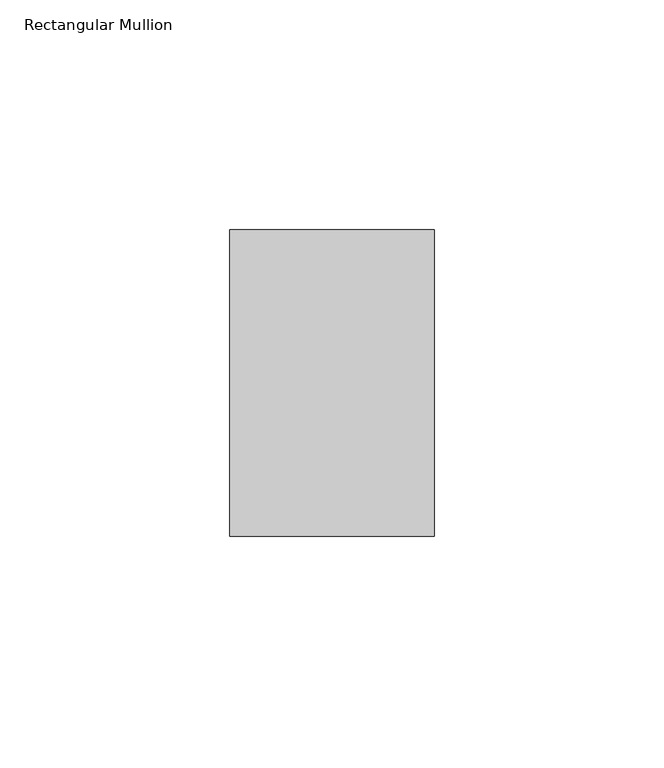
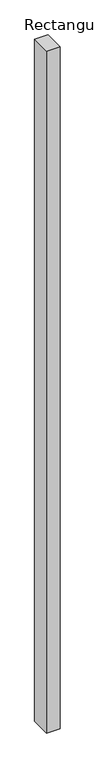
"""IFC4 building model written with IfcOpenShell, lengths in millimetres: member geometry, Rectangular Mullion."""

from ifc_helpers import new_model, si_unit, frame, origin, place, context, project, spatial, polyline, outline, extrude, source, transform, mapped, element, save


def rectangular_mullion_b38e9185(model_context):
    return source(origin(), model_context, "Body", "SweptSolid", [
        extrude(outline(polyline([(0.0, 33.3375), (0.0, -33.3375), (-44.45, -33.3375), (-44.45, 33.3375), (0.0, 33.3375)])), frame((0.0, 0.0, -2365.375), z_axis=(0.0, 0.0, 1.0), x_axis=(1.0, 0.0, 0.0)), (0.0, 0.0, 1.0), 2365.375),
    ])


if __name__ == "__main__":
    model = new_model("IFC4")
    model_context = context("Model", 3, world=origin())
    ifc_project = project(units=[si_unit("LENGTHUNIT", "METRE", prefix="MILLI")], contexts=[model_context])
    site = spatial("IfcSite", under=ifc_project)
    building = spatial("IfcBuilding", under=site)
    placement = place(None, origin())
    rectangular_mullion_shape = rectangular_mullion_b38e9185(model_context)
    element("IfcMember", 1, ObjectType="Rectangular Mullion", at=placement, inside=building, context=model_context, shape_type="MappedRepresentation", body=[
        mapped(rectangular_mullion_shape, transform((0.0, 0.0, 0.0), x_axis=(1.0, 0.0, 0.0), y_axis=(0.0, 1.0, 0.0), z_axis=(0.0, 0.0, 1.0))),
    ])
    save(model, "model.ifc")
